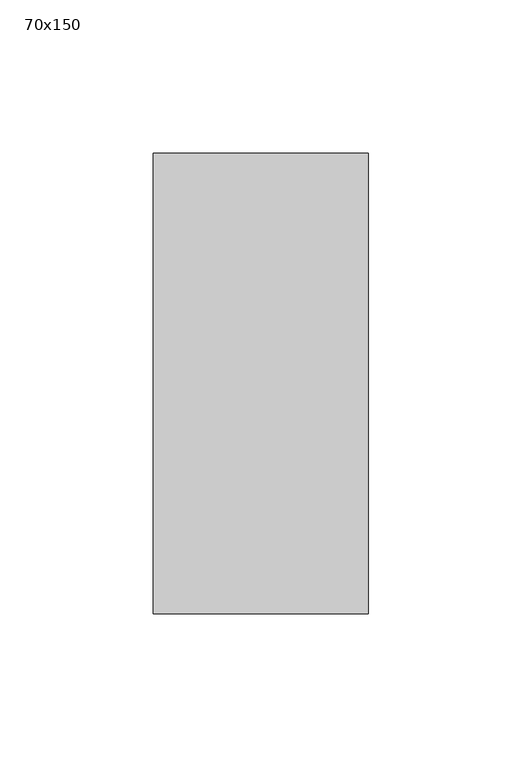
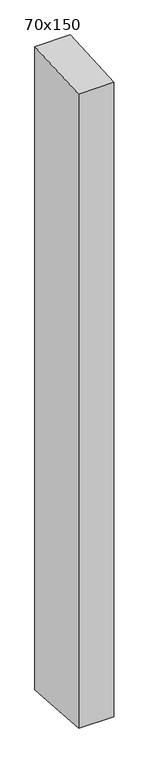
"""IFC4 building model written with IfcOpenShell, lengths in millimetres: member geometry, 70x150."""

from ifc_helpers import new_model, si_unit, frame, origin, place, context, project, spatial, polyline, outline, extrude, source, transform, mapped, element, save


def member_70x150_285ebe9a(model_context):
    return source(origin(), model_context, "Body", "SweptSolid", [
        extrude(outline(polyline([(-75.0, -4.2711403), (75.0, 4.2711403), (75.0, -1341.9833365), (-75.0, -1331.9292618), (-75.0, -4.2711403)])), frame((-70.0, 0.0, 0.0), z_axis=(1.0, 0.0, 0.0), x_axis=(0.0, 1.0, 0.0)), (0.0, 0.0, 1.0), 70.0),
    ])


if __name__ == "__main__":
    model = new_model("IFC4")
    model_context = context("Model", 3, world=origin())
    ifc_project = project(units=[si_unit("LENGTHUNIT", "METRE", prefix="MILLI")], contexts=[model_context])
    site = spatial("IfcSite", under=ifc_project)
    building = spatial("IfcBuilding", under=site)
    placement = place(None, origin())
    member_70x150_shape = member_70x150_285ebe9a(model_context)
    element("IfcMember", 1, ObjectType="70x150", at=placement, inside=building, context=model_context, shape_type="MappedRepresentation", body=[
        mapped(member_70x150_shape, transform((0.0, 0.0, 0.0), x_axis=(1.0, 0.0, 0.0), y_axis=(0.0, 1.0, 0.0), z_axis=(0.0, 0.0, 1.0))),
    ])
    save(model, "model.ifc")
